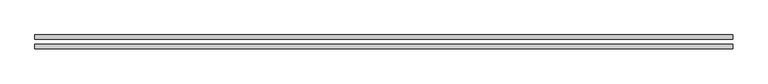
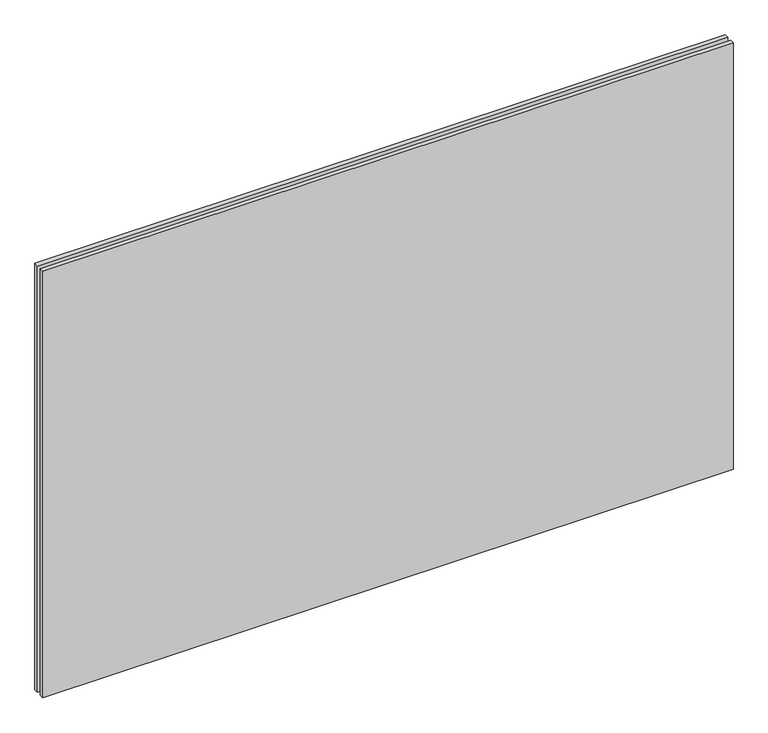
"""IFC4 building model written with IfcOpenShell, lengths in millimetres: plate geometry."""

from ifc_helpers import new_model, si_unit, origin, origin_with_axes, place, context, project, spatial, polyline, outline, extrude, source, transform, mapped, element, save


def plate_580e468f(model_context):
    return source(origin(), model_context, "Body", "SweptSolid", [
        extrude(outline(polyline([(620.0, -34.8), (-620.0, -34.8), (-620.0, -26.8), (620.0, -26.8), (620.0, -34.8)])), origin_with_axes(), (0.0, 0.0, 1.0), 810.0),
        extrude(outline(polyline([(620.0, -17.8), (-620.0, -17.8), (-620.0, -9.8), (620.0, -9.8), (620.0, -17.8)])), origin_with_axes(), (0.0, 0.0, 1.0), 810.0),
    ])


if __name__ == "__main__":
    model = new_model("IFC4")
    model_context = context("Model", 3, world=origin())
    ifc_project = project(units=[si_unit("LENGTHUNIT", "METRE", prefix="MILLI")], contexts=[model_context])
    site = spatial("IfcSite", under=ifc_project)
    building = spatial("IfcBuilding", under=site)
    placement = place(None, origin())
    plate_shape = plate_580e468f(model_context)
    element("IfcPlate", 1, at=placement, inside=building, context=model_context, shape_type="MappedRepresentation", body=[
        mapped(plate_shape, transform((0.0, 0.0, 0.0), x_axis=(1.0, 0.0, 0.0), y_axis=(0.0, 1.0, 0.0), z_axis=(0.0, 0.0, 1.0))),
    ])
    save(model, "model.ifc")
